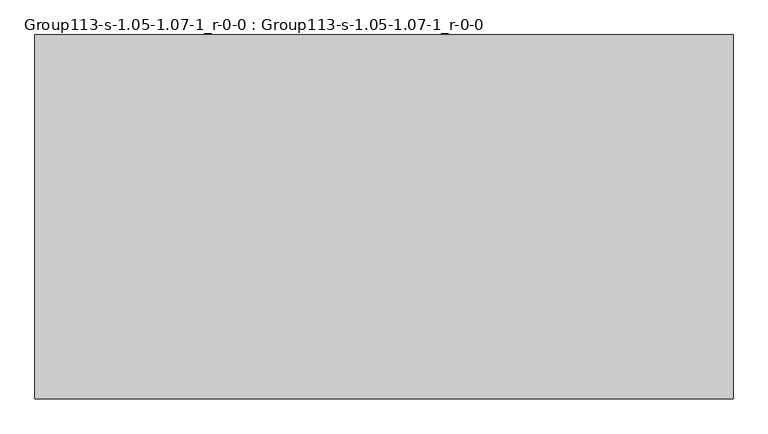
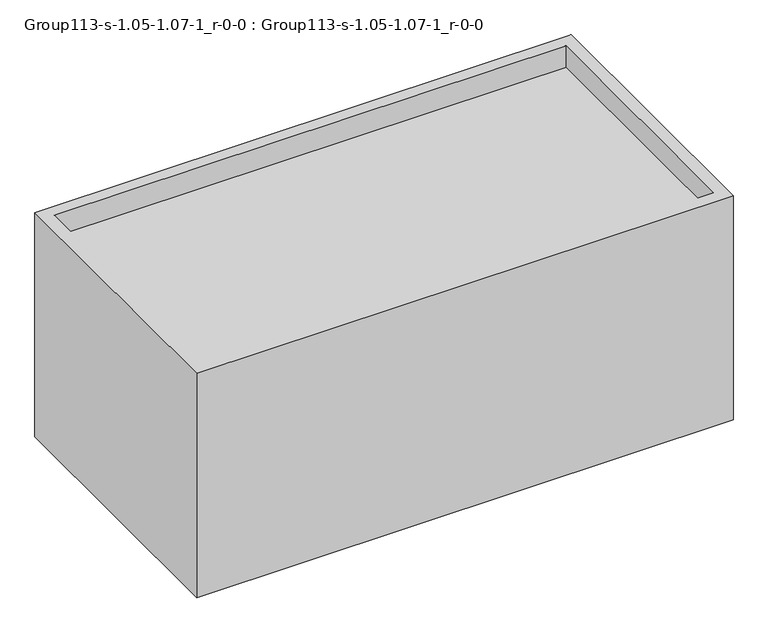
"""IFC4 building model written with IfcOpenShell, lengths in millimetres: geographic element geometry, Group113-s-1.05-1.07-1_r-0-0 : Group113-s-1.05-1.07-1_r-0-0."""

from ifc_helpers import new_model, si_unit, origin, place, context, project, spatial, triangles, source, transform, mapped, element, save


def group113_s_1_05_1_07_1_r_0_0_group113_s_1_05_1_07_1_r_0_0_af3374d9(model_context):
    return source(origin(), model_context, "Body", "Tessellation", [
        triangles([(14348.2858246, 7492.603125, 0.0), (0.0, 0.0, 0.0), (0.0, 7492.603125, 0.0), (14348.2858246, 0.0, 0.0), (14348.2858246, 0.0, 6345.1533966), (14348.2858246, 7492.603125, 6345.1533966), (326.136016, 7172.5633575, 5735.5533966), (326.136016, 320.0399855, 6345.1533966), (326.136016, 320.0399855, 5735.5533966), (326.136016, 7172.5633575, 6345.1533966), (0.0, 0.0, 6345.1533966), (0.0, 7492.603125, 6345.1533966), (14022.1499176, 320.0399855, 6345.1533966), (14022.1499176, 7172.5633575, 6345.1533966), (14022.1499176, 320.0399855, 5735.5533966), (14022.1499176, 7172.5633575, 5735.5533966)], [[1, 2, 3], [2, 1, 4], [1, 5, 4], [5, 1, 6], [7, 8, 9], [8, 7, 10], [11, 8, 12], [8, 11, 5], [8, 5, 13], [13, 5, 14], [12, 10, 6], [10, 12, 8], [6, 10, 14], [6, 14, 5], [8, 15, 9], [15, 8, 13], [15, 7, 9], [7, 15, 16], [14, 7, 16], [7, 14, 10], [14, 15, 13], [15, 14, 16], [5, 2, 4], [2, 5, 11], [12, 2, 11], [2, 12, 3], [12, 1, 3], [1, 12, 6]]),
    ])


if __name__ == "__main__":
    model = new_model("IFC4")
    model_context = context("Model", 3, world=origin())
    ifc_project = project(units=[si_unit("LENGTHUNIT", "METRE", prefix="MILLI")], contexts=[model_context])
    site = spatial("IfcSite", under=ifc_project)
    building = spatial("IfcBuilding", under=site)
    placement = place(None, origin())
    group113_s_1_05_1_07_1_r_0_0_group113_s_1_05_1_07_1_r_0_0_shape = group113_s_1_05_1_07_1_r_0_0_group113_s_1_05_1_07_1_r_0_0_af3374d9(model_context)
    element("IfcGeographicElement", 1, ObjectType="Group113-s-1.05-1.07-1_r-0-0 : Group113-s-1.05-1.07-1_r-0-0", at=placement, inside=building, context=model_context, shape_type="MappedRepresentation", body=[
        mapped(group113_s_1_05_1_07_1_r_0_0_group113_s_1_05_1_07_1_r_0_0_shape, transform((0.0, 0.0, 0.0), x_axis=(1.0, 0.0, 0.0), y_axis=(0.0, 1.0, 0.0), z_axis=(0.0, 0.0, 1.0))),
    ])
    save(model, "model.ifc")
